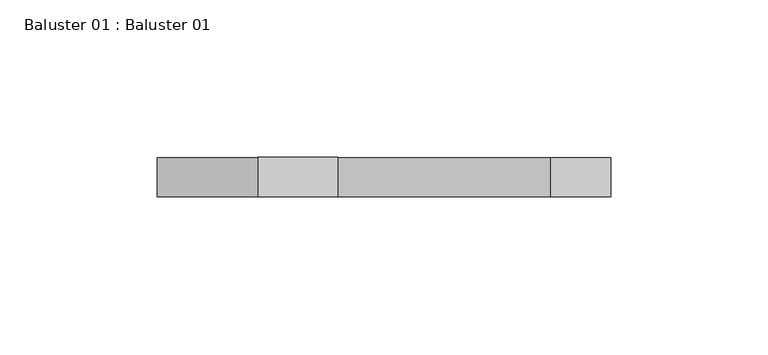
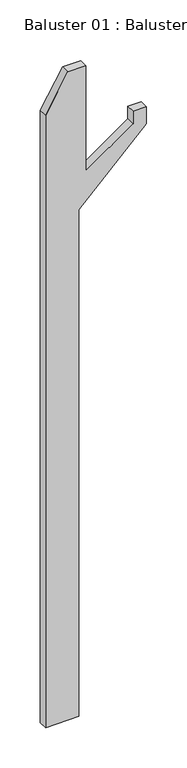
"""IFC4 building model written with IfcOpenShell, lengths in millimetres: proxy geometry, Baluster 01 : Baluster 01."""

import ifcopenshell
import ifcopenshell.guid

model = None  # the IFC model being written
_history = None  # IfcOwnerHistory: only IFC2X3 demands one
_inside = {}  # id of a spatial element -> (the spatial element, [elements in it])
_under = {}  # id of a project, library or spatial element -> (it, [spatial elements below it])
_declared = {}  # id of a project -> (the project, [libraries it declares])
_typed = {}  # id of a type object -> (the type object, [elements of that type])
_made_of = {}  # id of a material, layer set ... -> (it, [elements and type objects made of it])


def new_model(schema):
    """Start an empty IFC model of exactly this schema.

    Asked for "IFC4X3", IfcOpenShell would pick the latest addendum, in which some entities
    have other attributes; the version numbers below select the first issue.
    IFC2X3 requires an IfcOwnerHistory on every rooted entity: one is made here for all.
    """
    global model, _history
    if schema == "IFC4X3":
        model = ifcopenshell.file(schema_version=(4, 3, 0, 0))
    else:
        model = ifcopenshell.file(schema=schema)
    _inside.clear()
    _under.clear()
    _declared.clear()
    _typed.clear()
    _made_of.clear()
    _history = None
    if model.schema == "IFC2X3":
        org = make("IfcOrganization", Name="unknown")
        user = make(
            "IfcPersonAndOrganization",
            ThePerson=make("IfcPerson", FamilyName="unknown"),
            TheOrganization=org,
        )
        app = make(
            "IfcApplication",
            ApplicationDeveloper=org,
            Version="unknown",
            ApplicationFullName="unknown",
            ApplicationIdentifier="unknown",
        )
        _history = make(
            "IfcOwnerHistory",
            OwningUser=user,
            OwningApplication=app,
            ChangeAction="ADDED",
            CreationDate=0,
        )
    return model


def make(cls, **values):
    """One entity of the class cls with the attributes given. An attribute that is None is left unset."""
    return model.create_entity(
        cls, **{name: value for name, value in values.items() if value is not None}
    )


def rooted(cls, **values):
    """An entity with a GlobalId (a new one), such as an element, a storey or a relation."""
    return make(cls, GlobalId=ifcopenshell.guid.new(), OwnerHistory=_history, **values)


def si_unit(unit_type, name, prefix=None):
    """IfcSIUnit, for example si_unit("LENGTHUNIT", "METRE", prefix="MILLI")."""
    return make("IfcSIUnit", UnitType=unit_type, Prefix=prefix, Name=name)


def assignment(units):
    """IfcUnitAssignment: the units of a project."""
    return None if units is None else make("IfcUnitAssignment", Units=units)


def point(xyz):
    """IfcCartesianPoint."""
    return None if xyz is None else make("IfcCartesianPoint", Coordinates=xyz)


def direction(xyz):
    """IfcDirection."""
    return None if xyz is None else make("IfcDirection", DirectionRatios=xyz)


def frame(location, z_axis=None, x_axis=None):
    """IfcAxis2Placement3D, a coordinate frame: its origin and axes. An axis left out is left unset."""
    return make(
        "IfcAxis2Placement3D",
        Location=point(location),
        Axis=direction(z_axis),
        RefDirection=direction(x_axis),
    )


def origin():
    """The frame at (0, 0, 0) with its axes left unset."""
    return frame((0.0, 0.0, 0.0))


def place(relative_to, where):
    """IfcLocalPlacement: puts the frame where relative to a parent placement (None: the world)."""
    return make(
        "IfcLocalPlacement", PlacementRelTo=relative_to, RelativePlacement=where
    )


def context(
    kind, dimensions, precision=None, world=None, true_north=None, identifier=None
):
    """IfcGeometricRepresentationContext, for example the 3D "Model" context."""
    return make(
        "IfcGeometricRepresentationContext",
        ContextIdentifier=identifier,
        ContextType=kind,
        CoordinateSpaceDimension=dimensions,
        Precision=precision,
        WorldCoordinateSystem=world,
        TrueNorth=true_north,
    )


def project(units=None, contexts=None):
    """IfcProject with its units and contexts."""
    return rooted(
        "IfcProject",
        Name="project",
        RepresentationContexts=contexts,
        UnitsInContext=assignment(units),
    )


def spatial(cls, under=None, at=None, **own):
    """A site, building, storey or space (cls), placed at a placement, below another one or the project."""
    s = rooted(cls, ObjectPlacement=at, **own)
    if under is not None:
        _under.setdefault(under.id(), (under, []))[1].append(s)
    return s


def polyline(points):
    """IfcPolyline through the points."""
    return make("IfcPolyline", Points=[point(p) for p in points])


def outline(outer, holes=None, kind="AREA"):
    """IfcArbitraryClosedProfileDef: a profile drawn as a closed curve; with holes, ...WithVoids."""
    if holes is None:
        return make("IfcArbitraryClosedProfileDef", ProfileType=kind, OuterCurve=outer)
    return make(
        "IfcArbitraryProfileDefWithVoids",
        ProfileType=kind,
        OuterCurve=outer,
        InnerCurves=holes,
    )


def extrude(swept, where, along, depth):
    """IfcExtrudedAreaSolid: the profile swept, set in the frame where, extruded along a direction by depth."""
    return make(
        "IfcExtrudedAreaSolid",
        SweptArea=swept,
        Position=where,
        ExtrudedDirection=direction(along),
        Depth=depth,
    )


def shape(context_of_items, identifier, shape_type, items):
    """IfcShapeRepresentation: the items that make up one representation, for example the "Body"."""
    return make(
        "IfcShapeRepresentation",
        ContextOfItems=context_of_items,
        RepresentationIdentifier=identifier,
        RepresentationType=shape_type,
        Items=items,
    )


def source(mapping_origin, context_of_items, identifier, shape_type, items):
    """IfcRepresentationMap: a shape defined once, which mapped items show again and again."""
    return make(
        "IfcRepresentationMap",
        MappingOrigin=mapping_origin,
        MappedRepresentation=shape(context_of_items, identifier, shape_type, items),
    )


def transform(
    local_origin,
    x_axis=None,
    y_axis=None,
    z_axis=None,
    scale=None,
    scale2=None,
    scale3=None,
    uniform=True,
):
    """IfcCartesianTransformationOperator3D, or its non-uniform kind. x_axis, y_axis, z_axis: its Axis1, 2, 3."""
    if uniform:
        return make(
            "IfcCartesianTransformationOperator3D",
            Axis1=direction(x_axis),
            Axis2=direction(y_axis),
            LocalOrigin=point(local_origin),
            Scale=scale,
            Axis3=direction(z_axis),
        )
    return make(
        "IfcCartesianTransformationOperator3DnonUniform",
        Axis1=direction(x_axis),
        Axis2=direction(y_axis),
        LocalOrigin=point(local_origin),
        Scale=scale,
        Axis3=direction(z_axis),
        Scale2=scale2,
        Scale3=scale3,
    )


def mapped(mapping_source, mapping_target):
    """IfcMappedItem: shows the shape of a source again, moved by a transform."""
    return make(
        "IfcMappedItem", MappingSource=mapping_source, MappingTarget=mapping_target
    )


def made_of(thing, what):
    """Note that an element or type object is made of a material, layer set ...; save() writes the relation."""
    if what is not None:
        _made_of.setdefault(what.id(), (what, []))[1].append(thing)
    return thing


def element(
    cls,
    number,
    at=None,
    inside=None,
    cuts=None,
    type_object=None,
    material=None,
    context=None,
    identifier="Body",
    shape_type=None,
    held_by="IfcProductDefinitionShape",
    body=None,
    shapes=None,
    **own,
):
    """One element of the class cls, such as IfcWall. Its Tag is "e" and its number.

    at: its placement. inside: the storey or other place that contains it. cuts: it is an
    opening in that element (IfcRelVoidsElement). A single representation is given by context,
    identifier, shape_type and body (its items); several are given by shapes. held_by: the class
    of the entity that holds the representations. save() writes the other relations.
    """
    e = rooted(cls, Tag="e%d" % number, ObjectPlacement=at, **own)
    if body is not None:
        shapes = [shape(context, identifier, shape_type, body)]
    if shapes is not None:
        e.Representation = make(held_by, Representations=shapes)
    if inside is not None:
        _inside.setdefault(inside.id(), (inside, []))[1].append(e)
    if cuts is not None:
        rooted(
            "IfcRelVoidsElement", RelatingBuildingElement=cuts, RelatedOpeningElement=e
        )
    if type_object is not None:
        _typed.setdefault(type_object.id(), (type_object, []))[1].append(e)
    return made_of(e, material)


def aggregate(whole, parts):
    """IfcRelAggregates: a whole, such as a stair, and the parts it consists of."""
    return rooted("IfcRelAggregates", RelatingObject=whole, RelatedObjects=parts)


def save(model, path):
    """Write the relations noted so far, then the file.

    IfcRelAggregates (storeys below a building ...), IfcRelContainedInSpatialStructure (elements
    in a storey), IfcRelDefinesByType, IfcRelAssociatesMaterial and IfcRelDeclares: one each for
    every whole, place, type object, material and project.
    """
    for whole, parts in _under.values():
        aggregate(whole, parts)
    for where, things in _inside.values():
        rooted(
            "IfcRelContainedInSpatialStructure",
            RelatedElements=things,
            RelatingStructure=where,
        )
    for kind, things in _typed.values():
        rooted("IfcRelDefinesByType", RelatedObjects=things, RelatingType=kind)
    for what, things in _made_of.values():
        rooted("IfcRelAssociatesMaterial", RelatedObjects=things, RelatingMaterial=what)
    for by, libraries in _declared.values():
        rooted("IfcRelDeclares", RelatingContext=by, RelatedDefinitions=libraries)
    model.write(path)


def baluster_01_baluster_01_762cd51c(model_context):
    return source(origin(), model_context, "Body", "SweptSolid", [
        extrude(outline(polyline([(-10428.9773323, -65.1050047), (-11351.815625, -65.1050047), (-11351.815625, -17.4800047), (-10587.9319856, -17.4800047), (-10491.7359844, 78.7159966), (-10466.3359844, 78.7159966), (-10466.3359844, 59.6659966), (-10485.3859844, 59.6659966), (-10532.7347192, -7.9550047), (-10373.9847192, -7.9550047), (-10373.9847192, -33.3550047), (-10428.9773323, -65.1050047)])), frame((0.0, -15.751169, 0.0), z_axis=(0.0, 1.0, 0.0), x_axis=(0.0, 0.0, 1.0)), (0.0, 0.0, 1.0), 12.4564218),
    ])


if __name__ == "__main__":
    model = new_model("IFC4")
    model_context = context("Model", 3, world=origin())
    ifc_project = project(units=[si_unit("LENGTHUNIT", "METRE", prefix="MILLI")], contexts=[model_context])
    site = spatial("IfcSite", under=ifc_project)
    building = spatial("IfcBuilding", under=site)
    placement = place(None, origin())
    baluster_01_baluster_01_shape = baluster_01_baluster_01_762cd51c(model_context)
    element("IfcBuildingElementProxy", 1, Name="Baluster 01 : Baluster 01", ObjectType="Baluster 01 : Baluster 01", at=placement, inside=building, context=model_context, shape_type="MappedRepresentation", body=[
        mapped(baluster_01_baluster_01_shape, transform((0.0, 0.0, 0.0), x_axis=(1.0, 0.0, 0.0), y_axis=(0.0, 1.0, 0.0), z_axis=(0.0, 0.0, 1.0))),
    ])
    save(model, "model.ifc")
